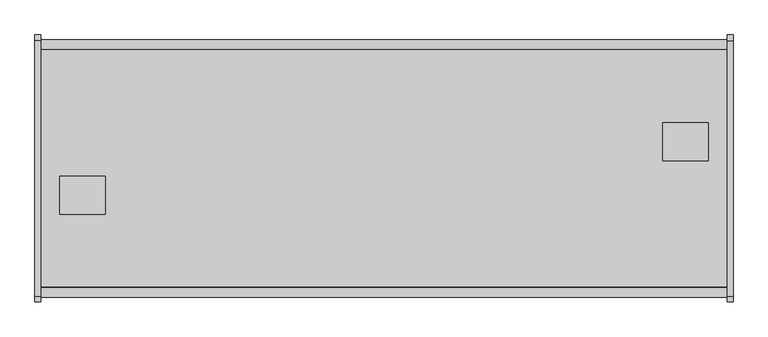
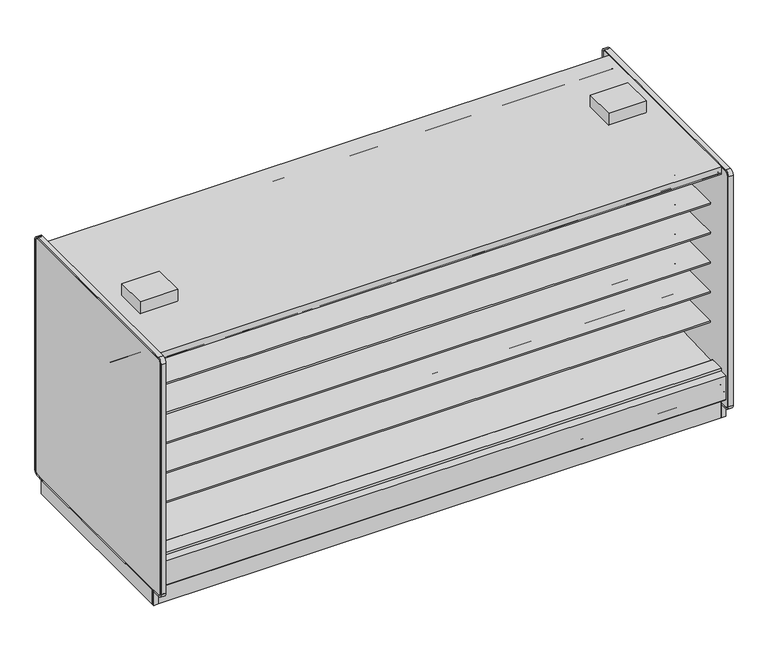
"""IFC4 building model written with IfcOpenShell, lengths in millimetres: proxy geometry."""

from ifc_helpers import new_model, si_unit, point, frame, frame_2d, origin, origin_with_axes, place, context, project, spatial, polyline, circle_curve, trimmed, segment, composite_curve, outline, extrude, faceted_brep, source, transform, mapped, element, save
from ifc_brep_helpers import plane_surface, revolved_surface, advanced_brep


def mechanical_equipment_9dda7a08(model_context):
    return source(origin(), model_context, "Body", "SolidModel", [
        extrude(outline(polyline([(0.0, -76.1999999), (0.0, 0.0), (4572.0, 0.0), (4572.0, -76.1999999), (0.0, -76.1999999)])), frame((4572.0, -1111.3633008, 2065.3671599), z_axis=(0.0, 0.08686991344751496, 0.9962196635971514), x_axis=(-1.0, 0.0, 0.0)), (0.0, 0.0, 1.0), 13.3555803),
        extrude(outline(polyline([(0.0, -76.2), (0.0, 0.0), (4572.0, 0.0), (4572.0, -76.2), (0.0, -76.2)])), frame((4572.0, 288.8472236, 2059.4611282), z_axis=(0.0, -0.086869913447515, 0.9962196635971514), x_axis=(-1.0, 0.0, 0.0)), (0.0, 0.0, 1.0), 13.3555803),
        extrude(outline(polyline([(-38.1, -1158.0606273), (-38.1, 424.3593727), (0.0, 424.3593727), (0.0, -1158.0606273), (-38.1, -1158.0606273)])), origin_with_axes(), (0.0, 0.0, 1.0), 117.8306),
        extrude(outline(composite_curve([segment(polyline([(-292.5492106, 428.2688536), (291.885082, 406.4402197), (291.885082, 424.9364317)]), True, "CONTINUOUS"), segment(trimmed(circle_curve(frame_2d((293.942482, 424.9364317)), 2.0574), [point((291.885082, 424.9364317))], [point((293.942482, 426.9938317))], False, "CARTESIAN"), True, "CONTINUOUS"), segment(polyline([(293.942482, 426.9938317), (416.0514424, 426.9938317), (416.0514424, 284.5082843), (302.7767261, 189.4595117), (287.2311894, 190.0023738), (241.8789947, 157.1934642), (177.3766842, 159.4459345), (137.2934582, 192.9404113), (-344.0537782, 221.8688632), (-344.0537782, 428.2688536), (-292.5492106, 428.2688536)]), True, "CONTINUOUS")], self_intersect=False)), frame((0.0, 0.0, 0.0), z_axis=(1.0, 0.0, 0.0), x_axis=(0.0, 1.0, 0.0)), (0.0, 0.0, 1.0), 4572.0),
        extrude(outline(polyline([(392.5474807, -0.0519335), (392.5474807, 194.123201), (411.5974807, 210.1080489), (411.5974807, -0.0519335), (392.5474807, -0.0519335)])), frame((0.0, 0.0, 0.0), z_axis=(1.0, 0.0, 0.0), x_axis=(0.0, 1.0, 0.0)), (0.0, 0.0, 1.0), 4572.0),
        extrude(outline(polyline([(-1139.0106273, 0.0), (-1158.0606273, 0.0), (-1158.0606273, 210.1599825), (-1139.0106273, 194.1751345), (-1139.0106273, 0.0)])), frame((0.0, 0.0, 0.0), z_axis=(1.0, 0.0, 0.0), x_axis=(0.0, 1.0, 0.0)), (0.0, 0.0, 1.0), 4572.0),
        extrude(outline(polyline([(431.8, -424.0006273), (431.8, -678.0006273), (127.0, -678.0006273), (127.0, -424.0006273), (431.8, -424.0006273)])), frame((0.0, 0.0, 2159.2248848), z_axis=(0.0, 0.0, 1.0), x_axis=(1.0, 0.0, 0.0)), (0.0, 0.0, 1.0), 101.6),
        extrude(outline(polyline([(4140.2, -322.4006273), (4140.2, -68.4006273), (4445.0, -68.4006273), (4445.0, -322.4006273), (4140.2, -322.4006273)])), frame((0.0, 0.0, 2159.2248848), z_axis=(0.0, 0.0, 1.0), x_axis=(1.0, 0.0, 0.0)), (0.0, 0.0, 1.0), 101.6),
        extrude(outline(polyline([(4610.1, 424.3593727), (4610.1, -1158.0606273), (4572.0, -1158.0606273), (4572.0, 424.3593727), (4610.1, 424.3593727)])), origin_with_axes(), (0.0, 0.0, 1.0), 117.8306),
        extrude(outline(composite_curve([segment(polyline([(-292.5492106, 1659.986997), (-292.5492106, 1760.7972725), (266.2507894, 1760.7972725), (266.2507894, 1747.3035225), (145.7947875, 1747.3035225), (145.7947875, 1743.0191961), (-193.6128858, 1710.408706)]), True, "CONTINUOUS"), segment(trimmed(circle_curve(frame_2d((-186.7598764, 1647.2795822)), 63.5), [point((-193.6128858, 1710.408706))], [point((-226.8243495, 1696.545067))], True, "CARTESIAN"), True, "CONTINUOUS"), segment(polyline([(-226.8243495, 1696.545067), (-265.0460501, 1665.4617985)]), True, "CONTINUOUS"), segment(trimmed(circle_curve(frame_2d((-280.9533727, 1684.8267077)), 25.0607786), [point((-265.0460501, 1665.4617985))], [point((-281.4413184, 1659.7706798))], False, "CARTESIAN"), True, "CONTINUOUS"), segment(polyline([(-281.4413184, 1659.7706798), (-292.5492106, 1659.986997)]), True, "CONTINUOUS")], self_intersect=False)), frame((0.0, 0.0, 0.0), z_axis=(1.0, 0.0, 0.0), x_axis=(0.0, 1.0, 0.0)), (0.0, 0.0, 1.0), 4572.0),
        extrude(outline(composite_curve([segment(polyline([(-292.5492106, 643.986997), (-292.5492106, 744.7972725), (266.2507894, 744.7972725), (266.2507894, 731.3035225), (145.7947875, 731.3035225), (145.7947875, 727.0191961), (-193.6128858, 694.408706)]), True, "CONTINUOUS"), segment(trimmed(circle_curve(frame_2d((-186.7598764, 631.2795822)), 63.5), [point((-193.6128858, 694.408706))], [point((-226.8243495, 680.545067))], True, "CARTESIAN"), True, "CONTINUOUS"), segment(polyline([(-226.8243495, 680.545067), (-265.0460501, 649.4617985)]), True, "CONTINUOUS"), segment(trimmed(circle_curve(frame_2d((-280.9533727, 668.8267077)), 25.0607786), [point((-265.0460501, 649.4617985))], [point((-281.4413184, 643.7706798))], False, "CARTESIAN"), True, "CONTINUOUS"), segment(polyline([(-281.4413184, 643.7706798), (-292.5492106, 643.986997)]), True, "CONTINUOUS")], self_intersect=False)), frame((0.0, 0.0, 0.0), z_axis=(1.0, 0.0, 0.0), x_axis=(0.0, 1.0, 0.0)), (0.0, 0.0, 1.0), 4572.0),
        extrude(outline(composite_curve([segment(polyline([(-292.5492106, 897.986997), (-292.5492106, 998.7972725), (266.2507894, 998.7972725), (266.2507894, 985.3035225), (145.7947875, 985.3035225), (145.7947875, 981.0191961), (-193.6128858, 948.408706)]), True, "CONTINUOUS"), segment(trimmed(circle_curve(frame_2d((-186.7598764, 885.2795822)), 63.5), [point((-193.6128858, 948.408706))], [point((-226.8243495, 934.545067))], True, "CARTESIAN"), True, "CONTINUOUS"), segment(polyline([(-226.8243495, 934.545067), (-265.0460501, 903.4617985)]), True, "CONTINUOUS"), segment(trimmed(circle_curve(frame_2d((-280.9533727, 922.8267077)), 25.0607786), [point((-265.0460501, 903.4617985))], [point((-281.4413184, 897.7706798))], False, "CARTESIAN"), True, "CONTINUOUS"), segment(polyline([(-281.4413184, 897.7706798), (-292.5492106, 897.986997)]), True, "CONTINUOUS")], self_intersect=False)), frame((0.0, 0.0, 0.0), z_axis=(1.0, 0.0, 0.0), x_axis=(0.0, 1.0, 0.0)), (0.0, 0.0, 1.0), 4572.0),
        extrude(outline(composite_curve([segment(polyline([(-292.5492106, 1151.986997), (-292.5492106, 1252.7972725), (266.2507894, 1252.7972725), (266.2507894, 1239.3035225), (145.7947875, 1239.3035225), (145.7947875, 1235.0191961), (-193.6128858, 1202.408706)]), True, "CONTINUOUS"), segment(trimmed(circle_curve(frame_2d((-186.7598764, 1139.2795822)), 63.5), [point((-193.6128858, 1202.408706))], [point((-226.8243495, 1188.545067))], True, "CARTESIAN"), True, "CONTINUOUS"), segment(polyline([(-226.8243495, 1188.545067), (-265.0460501, 1157.4617985)]), True, "CONTINUOUS"), segment(trimmed(circle_curve(frame_2d((-280.9533727, 1176.8267077)), 25.0607786), [point((-265.0460501, 1157.4617985))], [point((-281.4413184, 1151.7706798))], False, "CARTESIAN"), True, "CONTINUOUS"), segment(polyline([(-281.4413184, 1151.7706798), (-292.5492106, 1151.986997)]), True, "CONTINUOUS")], self_intersect=False)), frame((0.0, 0.0, 0.0), z_axis=(1.0, 0.0, 0.0), x_axis=(0.0, 1.0, 0.0)), (0.0, 0.0, 1.0), 4572.0),
        extrude(outline(composite_curve([segment(polyline([(-292.5492106, 1405.986997), (-292.5492106, 1506.7972725), (266.2507894, 1506.7972725), (266.2507894, 1493.3035225), (145.7947875, 1493.3035225), (145.7947875, 1489.0191961), (-193.6128858, 1456.408706)]), True, "CONTINUOUS"), segment(trimmed(circle_curve(frame_2d((-186.7598764, 1393.2795822)), 63.5), [point((-193.6128858, 1456.408706))], [point((-226.8243495, 1442.545067))], True, "CARTESIAN"), True, "CONTINUOUS"), segment(polyline([(-226.8243495, 1442.545067), (-265.0460501, 1411.4617985)]), True, "CONTINUOUS"), segment(trimmed(circle_curve(frame_2d((-280.9533727, 1430.8267077)), 25.0607786), [point((-265.0460501, 1411.4617985))], [point((-281.4413184, 1405.7706798))], False, "CARTESIAN"), True, "CONTINUOUS"), segment(polyline([(-281.4413184, 1405.7706798), (-292.5492106, 1405.986997)]), True, "CONTINUOUS")], self_intersect=False)), frame((0.0, 0.0, 0.0), z_axis=(1.0, 0.0, 0.0), x_axis=(0.0, 1.0, 0.0)), (0.0, 0.0, 1.0), 4572.0),
        extrude(outline(composite_curve([segment(polyline([(-94.7483469, 2070.6501297), (-292.5492106, 2070.6501297), (-292.5492106, 428.2688536), (-344.0537782, 428.2688536), (-344.0537782, 2096.4201079), (398.3751091, 2096.4201079), (398.3751091, 2092.4645258)]), True, "CONTINUOUS"), segment(trimmed(circle_curve(frame_2d((395.8351091, 2092.4645258)), 2.54), [point((398.3751091, 2092.4645258))], [point((395.8351091, 2089.9245258))], False, "CARTESIAN"), True, "CONTINUOUS"), segment(polyline([(395.8351091, 2089.9245258), (381.1085354, 2089.9245258)]), True, "CONTINUOUS"), segment(trimmed(circle_curve(frame_2d((381.1085354, 2087.3845258)), 2.54), [point((381.1085354, 2089.9245258))], [point((378.5685354, 2087.3845258))], True, "CARTESIAN"), True, "CONTINUOUS"), segment(polyline([(378.5685354, 2087.3845258), (378.5685354, 2074.4415989)]), True, "CONTINUOUS"), segment(trimmed(circle_curve(frame_2d((376.0285354, 2074.4415989)), 2.54), [point((378.5685354, 2074.4415989))], [point((376.0285354, 2071.9015989))], False, "CARTESIAN"), True, "CONTINUOUS"), segment(polyline([(376.0285354, 2071.9015989), (367.3424655, 2071.9015989)]), True, "CONTINUOUS"), segment(trimmed(circle_curve(frame_2d((367.3424655, 2074.4415989)), 2.54), [point((367.3424655, 2071.9015989))], [point((364.8024655, 2074.4415989))], False, "CARTESIAN"), True, "CONTINUOUS"), segment(polyline([(364.8024655, 2074.4415989), (364.8024655, 2080.1715419), (286.911575, 2073.3794907), (286.9575805, 2070.6501297), (-94.7483469, 2070.6501297)]), True, "CONTINUOUS")], self_intersect=False)), frame((0.0, 0.0, 0.0), z_axis=(1.0, 0.0, 0.0), x_axis=(0.0, 1.0, 0.0)), (0.0, 0.0, 1.0), 4572.0),
        extrude(outline(composite_curve([segment(polyline([(-453.852044, 1659.1586039), (-464.9599362, 1658.9422868)]), True, "CONTINUOUS"), segment(trimmed(circle_curve(frame_2d((-465.4478819, 1683.9983146)), 25.0607786), [point((-464.9599362, 1658.9422868))], [point((-481.3552045, 1664.6334054))], False, "CARTESIAN"), True, "CONTINUOUS"), segment(polyline([(-481.3552045, 1664.6334054), (-519.5769051, 1695.716674)]), True, "CONTINUOUS"), segment(trimmed(circle_curve(frame_2d((-559.6413782, 1646.4511892)), 63.5), [point((-519.5769051, 1695.716674))], [point((-552.7883688, 1709.5803129))], True, "CARTESIAN"), True, "CONTINUOUS"), segment(polyline([(-552.7883688, 1709.5803129), (-892.1960421, 1742.190803), (-892.1960421, 1746.4751294), (-1012.652044, 1746.4751294), (-1012.652044, 1759.9688794), (-453.852044, 1759.9688794), (-453.852044, 1659.1586039)]), True, "CONTINUOUS")], self_intersect=False)), frame((0.0, 0.0, 0.0), z_axis=(1.0, 0.0, 0.0), x_axis=(0.0, 1.0, 0.0)), (0.0, 0.0, 1.0), 4572.0),
        extrude(outline(composite_curve([segment(polyline([(-453.852044, 643.1586039), (-464.9599362, 642.9422868)]), True, "CONTINUOUS"), segment(trimmed(circle_curve(frame_2d((-465.4478819, 667.9983146)), 25.0607786), [point((-464.9599362, 642.9422868))], [point((-481.3552045, 648.6334054))], False, "CARTESIAN"), True, "CONTINUOUS"), segment(polyline([(-481.3552045, 648.6334054), (-519.5769051, 679.716674)]), True, "CONTINUOUS"), segment(trimmed(circle_curve(frame_2d((-559.6413782, 630.4511892)), 63.5), [point((-519.5769051, 679.716674))], [point((-552.7883688, 693.5803129))], True, "CARTESIAN"), True, "CONTINUOUS"), segment(polyline([(-552.7883688, 693.5803129), (-892.1960421, 726.190803), (-892.1960421, 730.4751294), (-1012.652044, 730.4751294), (-1012.652044, 743.9688794), (-453.852044, 743.9688794), (-453.852044, 643.1586039)]), True, "CONTINUOUS")], self_intersect=False)), frame((0.0, 0.0, 0.0), z_axis=(1.0, 0.0, 0.0), x_axis=(0.0, 1.0, 0.0)), (0.0, 0.0, 1.0), 4572.0),
        extrude(outline(composite_curve([segment(polyline([(-453.852044, 897.1586039), (-464.9599362, 896.9422868)]), True, "CONTINUOUS"), segment(trimmed(circle_curve(frame_2d((-465.4478819, 921.9983146)), 25.0607786), [point((-464.9599362, 896.9422868))], [point((-481.3552045, 902.6334054))], False, "CARTESIAN"), True, "CONTINUOUS"), segment(polyline([(-481.3552045, 902.6334054), (-519.5769051, 933.716674)]), True, "CONTINUOUS"), segment(trimmed(circle_curve(frame_2d((-559.6413782, 884.4511892)), 63.5), [point((-519.5769051, 933.716674))], [point((-552.7883688, 947.5803129))], True, "CARTESIAN"), True, "CONTINUOUS"), segment(polyline([(-552.7883688, 947.5803129), (-892.1960421, 980.190803), (-892.1960421, 984.4751294), (-1012.652044, 984.4751294), (-1012.652044, 997.9688794), (-453.852044, 997.9688794), (-453.852044, 897.1586039)]), True, "CONTINUOUS")], self_intersect=False)), frame((0.0, 0.0, 0.0), z_axis=(1.0, 0.0, 0.0), x_axis=(0.0, 1.0, 0.0)), (0.0, 0.0, 1.0), 4572.0),
        extrude(outline(composite_curve([segment(polyline([(-453.852044, 1151.1586039), (-464.9599362, 1150.9422868)]), True, "CONTINUOUS"), segment(trimmed(circle_curve(frame_2d((-465.4478819, 1175.9983146)), 25.0607786), [point((-464.9599362, 1150.9422868))], [point((-481.3552045, 1156.6334054))], False, "CARTESIAN"), True, "CONTINUOUS"), segment(polyline([(-481.3552045, 1156.6334054), (-519.5769051, 1187.716674)]), True, "CONTINUOUS"), segment(trimmed(circle_curve(frame_2d((-559.6413782, 1138.4511892)), 63.5), [point((-519.5769051, 1187.716674))], [point((-552.7883688, 1201.5803129))], True, "CARTESIAN"), True, "CONTINUOUS"), segment(polyline([(-552.7883688, 1201.5803129), (-892.1960421, 1234.190803), (-892.1960421, 1238.4751294), (-1012.652044, 1238.4751294), (-1012.652044, 1251.9688794), (-453.852044, 1251.9688794), (-453.852044, 1151.1586039)]), True, "CONTINUOUS")], self_intersect=False)), frame((0.0, 0.0, 0.0), z_axis=(1.0, 0.0, 0.0), x_axis=(0.0, 1.0, 0.0)), (0.0, 0.0, 1.0), 4572.0),
        extrude(outline(composite_curve([segment(polyline([(-453.852044, 1405.1586039), (-464.9599362, 1404.9422868)]), True, "CONTINUOUS"), segment(trimmed(circle_curve(frame_2d((-465.4478819, 1429.9983146)), 25.0607786), [point((-464.9599362, 1404.9422868))], [point((-481.3552045, 1410.6334054))], False, "CARTESIAN"), True, "CONTINUOUS"), segment(polyline([(-481.3552045, 1410.6334054), (-519.5769051, 1441.716674)]), True, "CONTINUOUS"), segment(trimmed(circle_curve(frame_2d((-559.6413782, 1392.4511892)), 63.5), [point((-519.5769051, 1441.716674))], [point((-552.7883688, 1455.5803129))], True, "CARTESIAN"), True, "CONTINUOUS"), segment(polyline([(-552.7883688, 1455.5803129), (-892.1960421, 1488.190803), (-892.1960421, 1492.4751294), (-1012.652044, 1492.4751294), (-1012.652044, 1505.9688794), (-453.852044, 1505.9688794), (-453.852044, 1405.1586039)]), True, "CONTINUOUS")], self_intersect=False)), frame((0.0, 0.0, 0.0), z_axis=(1.0, 0.0, 0.0), x_axis=(0.0, 1.0, 0.0)), (0.0, 0.0, 1.0), 4572.0),
        extrude(outline(composite_curve([segment(trimmed(circle_curve(frame_2d((-1224.1006273, 201.3982889)), 6.35), [point((-1220.9264382, 195.8985595))], [point((-1230.4506273, 201.3982889))], False, "CARTESIAN"), True, "CONTINUOUS"), segment(polyline([(-1230.4506273, 201.3982889), (-1230.4506273, 404.6728), (-1162.452697, 404.6728), (-1162.452697, 391.9982), (-1213.6612273, 391.9982), (-1213.6612273, 256.8144254), (-1173.6099725, 223.2074323), (-1220.9264382, 195.8985595)]), True, "CONTINUOUS")], self_intersect=False)), frame((0.0, 0.0, 0.0), z_axis=(1.0, 0.0, 0.0), x_axis=(0.0, 1.0, 0.0)), (0.0, 0.0, 1.0), 4572.0),
        extrude(outline(composite_curve([segment(polyline([(474.5251836, 195.8985595), (427.2087179, 223.2074323), (467.2599727, 256.8144254), (467.2599727, 391.9982), (416.0514424, 391.9982), (416.0514424, 404.6728), (484.0493727, 404.6728), (484.0493727, 201.3982889)]), True, "CONTINUOUS"), segment(trimmed(circle_curve(frame_2d((477.6993727, 201.3982889)), 6.35), [point((484.0493727, 201.3982889))], [point((474.5251836, 195.8985595))], False, "CARTESIAN"), True, "CONTINUOUS")], self_intersect=False)), frame((0.0, 0.0, 0.0), z_axis=(1.0, 0.0, 0.0), x_axis=(0.0, 1.0, 0.0)), (0.0, 0.0, 1.0), 4572.0),
        extrude(outline(polyline([(-1063.1620247, 130.5306), (-1213.6612273, 256.8144254), (-1213.6612273, 391.9982), (-1162.452697, 391.9982), (-1162.452697, 284.5082843), (-1049.1779807, 189.4595117), (-1033.632444, 190.0023738), (-988.2802493, 157.1934642), (-923.7779388, 159.4459345), (-883.6947128, 192.9404113), (-402.3474764, 221.8688632), (-402.3474764, 2096.4201079), (-1162.452697, 2096.4201079), (-1162.452697, 2159.0), (416.0514424, 2159.0), (416.0514424, 2096.4201079), (-344.0537782, 2096.4201079), (-344.0537782, 221.8688632), (137.2934582, 192.9404113), (177.3766842, 159.4459345), (241.8789947, 157.1934642), (287.2311894, 190.0023738), (302.7767261, 189.4595117), (416.0514424, 284.5082843), (416.0514424, 391.9982), (467.2599727, 391.9982), (467.2599727, 256.8144254), (316.7607701, 130.5306), (-1063.1620247, 130.5306)])), frame((0.0, 0.0, 0.0), z_axis=(1.0, 0.0, 0.0), x_axis=(0.0, 1.0, 0.0)), (0.0, 0.0, 1.0), 4572.0),
        extrude(outline(composite_curve([segment(polyline([(-639.2465773, 2071.0201079), (-1033.3525988, 2071.0201079), (-1033.3128296, 2073.3794907), (-1111.2037201, 2080.1715419), (-1111.2037201, 2074.4415989)]), True, "CONTINUOUS"), segment(trimmed(circle_curve(frame_2d((-1113.7437201, 2074.4415989)), 2.54), [point((-1111.2037201, 2074.4415989))], [point((-1113.7437201, 2071.9015989))], False, "CARTESIAN"), True, "CONTINUOUS"), segment(polyline([(-1113.7437201, 2071.9015989), (-1122.42979, 2071.9015989)]), True, "CONTINUOUS"), segment(trimmed(circle_curve(frame_2d((-1122.42979, 2074.4415989)), 2.54), [point((-1122.42979, 2071.9015989))], [point((-1124.96979, 2074.4415989))], False, "CARTESIAN"), True, "CONTINUOUS"), segment(polyline([(-1124.96979, 2074.4415989), (-1124.96979, 2087.3845258)]), True, "CONTINUOUS"), segment(trimmed(circle_curve(frame_2d((-1127.50979, 2087.3845258)), 2.54), [point((-1124.96979, 2087.3845258))], [point((-1127.50979, 2089.9245258))], True, "CARTESIAN"), True, "CONTINUOUS"), segment(polyline([(-1127.50979, 2089.9245258), (-1142.2363637, 2089.9245258)]), True, "CONTINUOUS"), segment(trimmed(circle_curve(frame_2d((-1142.2363637, 2092.4645258)), 2.54), [point((-1142.2363637, 2089.9245258))], [point((-1144.7763637, 2092.4645258))], False, "CARTESIAN"), True, "CONTINUOUS"), segment(polyline([(-1144.7763637, 2092.4645258), (-1144.7763637, 2096.4201079), (-402.3474764, 2096.4201079), (-402.3474764, 428.2688536), (-453.852044, 428.2688536), (-453.852044, 2071.0201079), (-639.2465773, 2071.0201079)]), True, "CONTINUOUS")], self_intersect=False)), frame((0.0, 0.0, 0.0), z_axis=(1.0, 0.0, 0.0), x_axis=(0.0, 1.0, 0.0)), (0.0, 0.0, 1.0), 4572.0),
        extrude(outline(polyline([(0.0, 424.3593727), (0.0, -1139.0106273), (-38.1, -1139.0106273), (-38.1, 424.3593727), (0.0, 424.3593727)])), origin_with_axes(), (0.0, 0.0, 1.0), 117.8306),
        advanced_brep(
        [(4572.0, -995.5006273, 0.0), (4572.0, -918.6839153, 0.0), (4572.0, -918.6839153, 74.8810382), (4572.0, 173.3438727, 74.8810382), (4572.0, 173.3438727, 0.0), (4572.0, 220.8672286, 0.0), (4572.0, 220.8672286, 130.5306), (4572.0, -995.5006273, 130.5306), (0.0, -995.5006273, 0.0), (0.0, -995.5006273, 130.5306), (0.0, 220.8672286, 130.5306), (0.0, 220.8672286, 0.0), (0.0, 173.3438727, 0.0), (0.0, 173.3438727, 74.8810382), (0.0, -918.6839153, 74.8810382), (0.0, -918.6839153, 0.0), (2238.3826367, -918.6839153, 0.0), (2235.2, -936.3821273, 0.0), (2336.8, -936.3821273, 0.0), (2333.6173633, -918.6839153, 0.0), (4305.0239057, -918.6839153, 0.0), (4300.5375, -939.5571273, 0.0), (4402.1375, -939.5571273, 0.0), (4397.6510943, -918.6839153, 0.0), (4397.6510943, -918.6839153, 74.8810382), (2238.3826367, -918.6839153, 74.8810382), (2333.6173633, -918.6839153, 74.8810382), (4305.0239057, -918.6839153, 74.8810382), (173.8851053, 173.3438727, 74.8810382), (267.4398947, 173.3438727, 74.8810382), (2238.0015601, 173.3438727, 74.8810382), (2333.9984399, 173.3438727, 74.8810382), (2235.2, -936.3821273, 127.0), (2336.8, -936.3821273, 127.0), (4300.5375, -939.5571273, 127.0), (4402.1375, -939.5571273, 127.0), (2333.9984399, 173.3438727, 0.0), (173.8851053, 173.3438727, 0.0), (267.4398947, 173.3438727, 0.0), (2238.0015601, 173.3438727, 0.0), (2336.8, 189.9808727, 0.0), (2326.3320346, 220.8672286, 0.0), (178.0864416, 220.8672286, 0.0), (169.8625, 193.1558727, 0.0), (271.4625, 193.1558727, 0.0), (263.2385584, 220.8672286, 0.0), (2245.6679654, 220.8672286, 0.0), (2235.2, 189.9808727, 0.0), (2326.3320346, 220.8672286, 127.0), (2245.6679654, 220.8672286, 127.0), (263.2385584, 220.8672286, 127.0), (178.0864416, 220.8672286, 127.0), (271.4625, 193.1558727, 127.0), (169.8625, 193.1558727, 127.0), (2336.8, 189.9808727, 127.0), (2235.2, 189.9808727, 127.0)],
        [
            (0, 1),
            (1, 2),
            (2, 3),
            (3, 4),
            (4, 5),
            (5, 6),
            (6, 7),
            (7, 0),
            (8, 9),
            (9, 10),
            (10, 11),
            (11, 12),
            (12, 13),
            (13, 14),
            (14, 15),
            (15, 8),
            (6, 10),
            (9, 7),
            (8, 0),
            (15, 16),
            (16, 17, circle_curve(frame((2286.0, -936.3821273, 0.0), z_axis=(0.0, 0.0, 1.0), x_axis=(1.0, 0.0, 0.0)), 50.8)),
            (17, 18, circle_curve(frame((2286.0, -936.3821273, 0.0), z_axis=(0.0, 0.0, 1.0), x_axis=(1.0, 0.0, 0.0)), 50.8)),
            (18, 19, circle_curve(frame((2286.0, -936.3821273, 0.0), z_axis=(0.0, 0.0, 1.0), x_axis=(1.0, 0.0, 0.0)), 50.8)),
            (19, 20),
            (20, 21, circle_curve(frame((4351.3375, -939.5571273, 0.0), z_axis=(0.0, 0.0, 1.0), x_axis=(1.0, 0.0, 0.0)), 50.8)),
            (21, 22, circle_curve(frame((4351.3375, -939.5571273, 0.0), z_axis=(0.0, 0.0, 1.0), x_axis=(1.0, 0.0, 0.0)), 50.8)),
            (22, 23, circle_curve(frame((4351.3375, -939.5571273, 0.0), z_axis=(0.0, 0.0, 1.0), x_axis=(1.0, 0.0, 0.0)), 50.8)),
            (23, 1),
            (23, 24),
            (24, 2),
            (14, 25),
            (25, 16),
            (19, 26),
            (26, 27),
            (27, 20),
            (24, 27, circle_curve(frame((4351.3375, -939.5571273, 74.8810382), z_axis=(0.0, 0.0, 1.0), x_axis=(1.0, 0.0, 0.0)), 50.8)),
            (26, 25, circle_curve(frame((2286.0, -936.3821273, 74.8810382), z_axis=(0.0, 0.0, 1.0), x_axis=(1.0, 0.0, 0.0)), 50.8)),
            (13, 28),
            (28, 29, circle_curve(frame((220.6625, 193.1558727, 74.8810382), z_axis=(0.0, 0.0, 1.0), x_axis=(-1.0, 0.0, 0.0)), 50.8)),
            (29, 30),
            (30, 31, circle_curve(frame((2286.0, 189.9808727, 74.8810382), z_axis=(0.0, 0.0, 1.0), x_axis=(1.0, 0.0, 0.0)), 50.8)),
            (31, 3),
            (32, 33, circle_curve(frame((2286.0, -936.3821273, 127.0), z_axis=(0.0, 0.0, -1.0), x_axis=(1.0, 0.0, 0.0)), 50.8)),
            (33, 32, circle_curve(frame((2286.0, -936.3821273, 127.0), z_axis=(0.0, 0.0, -1.0), x_axis=(1.0, 0.0, 0.0)), 50.8)),
            (33, 18),
            (17, 32),
            (34, 35, circle_curve(frame((4351.3375, -939.5571273, 127.0), z_axis=(0.0, 0.0, -1.0), x_axis=(1.0, 0.0, 0.0)), 50.8)),
            (35, 34, circle_curve(frame((4351.3375, -939.5571273, 127.0), z_axis=(0.0, 0.0, -1.0), x_axis=(1.0, 0.0, 0.0)), 50.8)),
            (35, 22),
            (21, 34),
            (31, 36),
            (36, 4),
            (12, 37),
            (37, 28),
            (29, 38),
            (38, 39),
            (39, 30),
            (36, 40, circle_curve(frame((2286.0, 189.9808727, 0.0), z_axis=(0.0, 0.0, 1.0), x_axis=(1.0, 0.0, 0.0)), 50.8)),
            (40, 41, circle_curve(frame((2286.0, 189.9808727, 0.0), z_axis=(0.0, 0.0, 1.0), x_axis=(1.0, 0.0, 0.0)), 50.8)),
            (41, 5),
            (11, 42),
            (42, 43, circle_curve(frame((220.6625, 193.1558727, 0.0), z_axis=(0.0, 0.0, 1.0), x_axis=(-1.0, 0.0, 0.0)), 50.8)),
            (43, 37, circle_curve(frame((220.6625, 193.1558727, 0.0), z_axis=(0.0, 0.0, 1.0), x_axis=(-1.0, 0.0, 0.0)), 50.8)),
            (44, 45, circle_curve(frame((220.6625, 193.1558727, 0.0), z_axis=(0.0, 0.0, 1.0), x_axis=(-1.0, 0.0, 0.0)), 50.8)),
            (45, 46),
            (46, 47, circle_curve(frame((2286.0, 189.9808727, 0.0), z_axis=(0.0, 0.0, 1.0), x_axis=(1.0, 0.0, 0.0)), 50.8)),
            (47, 39, circle_curve(frame((2286.0, 189.9808727, 0.0), z_axis=(0.0, 0.0, 1.0), x_axis=(1.0, 0.0, 0.0)), 50.8)),
            (38, 44, circle_curve(frame((220.6625, 193.1558727, 0.0), z_axis=(0.0, 0.0, 1.0), x_axis=(-1.0, 0.0, 0.0)), 50.8)),
            (41, 48),
            (48, 49),
            (49, 46),
            (45, 50),
            (50, 51),
            (51, 42),
            (52, 53, circle_curve(frame((220.6625, 193.1558727, 127.0), z_axis=(0.0, 0.0, -1.0), x_axis=(-1.0, 0.0, 0.0)), 50.8)),
            (53, 51, circle_curve(frame((220.6625, 193.1558727, 127.0), z_axis=(0.0, 0.0, -1.0), x_axis=(-1.0, 0.0, 0.0)), 50.8)),
            (50, 52, circle_curve(frame((220.6625, 193.1558727, 127.0), z_axis=(0.0, 0.0, -1.0), x_axis=(-1.0, 0.0, 0.0)), 50.8)),
            (44, 52),
            (53, 43),
            (54, 55, circle_curve(frame((2286.0, 189.9808727, 127.0), z_axis=(0.0, 0.0, -1.0), x_axis=(1.0, 0.0, 0.0)), 50.8)),
            (55, 49, circle_curve(frame((2286.0, 189.9808727, 127.0), z_axis=(0.0, 0.0, -1.0), x_axis=(1.0, 0.0, 0.0)), 50.8)),
            (48, 54, circle_curve(frame((2286.0, 189.9808727, 127.0), z_axis=(0.0, 0.0, -1.0), x_axis=(1.0, 0.0, 0.0)), 50.8)),
            (40, 54),
            (55, 47),
        ],
        [
            plane_surface(frame((4572.0, -921.3326273, 0.0), z_axis=(1.0, 0.0, 0.0), x_axis=(0.0, 1.0, 0.0))),
            plane_surface(frame((0.0, -921.3326273, 0.0), z_axis=(-1.0, 0.0, 0.0), x_axis=(0.0, -1.0, 0.0))),
            plane_surface(frame((4572.0, 220.8672286, 130.5306), z_axis=(0.0, 0.0, 1.0), x_axis=(-1.0, 0.0, 0.0))),
            plane_surface(frame((4572.0, -995.5006273, 130.5306), z_axis=(0.0, -1.0, 0.0), x_axis=(-1.0, 0.0, 0.0))),
            plane_surface(frame((4572.0, -995.5006273, 0.0), z_axis=(0.0, 0.0, -1.0), x_axis=(-1.0, 0.0, 0.0))),
            plane_surface(frame((4572.0, -918.6839153, 0.0), z_axis=(0.0, 1.0, 0.0), x_axis=(-1.0, 0.0, 0.0))),
            plane_surface(frame((4572.0, -918.6839153, 74.8810382), z_axis=(0.0, 0.0, -1.0), x_axis=(-1.0, 0.0, 0.0))),
            plane_surface(frame((2336.8, -936.3821273, 127.0), z_axis=(0.0, 0.0, -1.0), x_axis=(0.0, 1.0, 0.0))),
            revolved_surface(polyline([(2336.8, -936.3821273, 127.0), (2336.8, -936.3821273, 0.0)]), (2286.0, -936.3821273, 0.0), (0.0, 0.0, 1.0)),
            plane_surface(frame((4402.1375, -939.5571273, 127.0), z_axis=(0.0, 0.0, -1.0), x_axis=(0.0, 1.0, 0.0))),
            revolved_surface(polyline([(4402.1375, -939.5571273, 127.0), (4402.1375, -939.5571273, 0.0)]), (4351.3375, -939.5571273, 0.0), (0.0, 0.0, 1.0)),
            plane_surface(frame((4572.0, 173.3438727, 74.8810382), z_axis=(0.0, -1.0, 0.0), x_axis=(-1.0, 0.0, 0.0))),
            plane_surface(frame((4572.0, 173.3438727, 0.0), z_axis=(0.0, 0.0, -1.0), x_axis=(-1.0, 0.0, 0.0))),
            plane_surface(frame((4572.0, 220.8672286, 0.0), z_axis=(0.0, 1.0, 0.0), x_axis=(-1.0, 0.0, 0.0))),
            plane_surface(frame((169.8625, 193.1558727, 127.0), z_axis=(0.0, 0.0, -1.0), x_axis=(0.0, -1.0, 0.0))),
            revolved_surface(polyline([(169.8625, 193.1558727, 127.0), (169.8625, 193.1558727, 0.0)]), (220.6625, 193.1558727, 0.0), (0.0, 0.0, 1.0)),
            plane_surface(frame((2336.8, 189.9808727, 127.0), z_axis=(0.0, 0.0, -1.0), x_axis=(0.0, 1.0, 0.0))),
            revolved_surface(polyline([(2336.8, 189.9808727, 127.0), (2336.8, 189.9808727, 0.0)]), (2286.0, 189.9808727, 0.0), (0.0, 0.0, 1.0)),
        ],
        [
            (0, [[1, 2, 3, 4, 5, 6, 7, 8]]),
            (1, [[9, 10, 11, 12, 13, 14, 15, 16]]),
            (2, [[-7, 17, -10, 18]]),
            (3, [[-8, -18, -9, 19]]),
            (4, [[-1, -19, -16, 20, 21, 22, 23, 24, 25, 26, 27, 28]]),
            (5, [[-2, -28, 29, 30]]),
            (5, [[-15, 31, 32, -20]]),
            (5, [[33, 34, 35, -24]]),
            (6, [[-3, -30, 36, -34, 37, -31, -14, 38, 39, 40, 41, 42]]),
            (7, [[43, 44]]),
            (8, [[-44, 45, -22, 46]]),
            (8, [[-43, -46, -21, -32, -37, -33, -23, -45]]),
            (9, [[47, 48]]),
            (10, [[-48, 49, -26, 50]]),
            (10, [[-47, -50, -25, -35, -36, -29, -27, -49]]),
            (11, [[-4, -42, 51, 52]]),
            (11, [[-13, 53, 54, -38]]),
            (11, [[55, 56, 57, -40]]),
            (12, [[-5, -52, 58, 59, 60]]),
            (12, [[-12, 61, 62, 63, -53]]),
            (12, [[64, 65, 66, 67, -56, 68]]),
            (13, [[-6, -60, 69, 70, 71, -65, 72, 73, 74, -61, -11, -17]]),
            (14, [[75, 76, -73, 77]]),
            (15, [[78, -77, -72, -64]]),
            (15, [[79, -62, -74, -76]]),
            (15, [[-75, -78, -68, -55, -39, -54, -63, -79]]),
            (16, [[80, 81, -70, 82]]),
            (17, [[83, -82, -69, -59]]),
            (17, [[84, -66, -71, -81]]),
            (17, [[-80, -83, -58, -51, -41, -57, -67, -84]]),
        ],
    ),
        extrude(outline(composite_curve([segment(polyline([(-453.852044, 428.2688536), (-402.3474764, 428.2688536), (-402.3474764, 221.8688632), (-883.6947128, 192.9404113), (-923.7779388, 159.4459345), (-988.2802493, 157.1934642), (-1033.632444, 190.0023738), (-1049.1779807, 189.4595117), (-1162.452697, 284.5082843), (-1162.452697, 426.9938317), (-1040.3437366, 426.9938317)]), True, "CONTINUOUS"), segment(trimmed(circle_curve(frame_2d((-1040.3437366, 424.9364317)), 2.0574), [point((-1040.3437366, 426.9938317))], [point((-1038.2863366, 424.9364317))], False, "CARTESIAN"), True, "CONTINUOUS"), segment(polyline([(-1038.2863366, 424.9364317), (-1038.2863366, 406.4402197), (-453.852044, 428.2688536)]), True, "CONTINUOUS")], self_intersect=False)), frame((0.0, 0.0, 0.0), z_axis=(1.0, 0.0, 0.0), x_axis=(0.0, 1.0, 0.0)), (0.0, 0.0, 1.0), 4572.0),
        extrude(outline(composite_curve([segment(polyline([(-1170.7606273, 117.8306), (-1224.093772, 117.8306)]), True, "CONTINUOUS"), segment(trimmed(circle_curve(frame_2d((-1224.093772, 155.9306)), 38.1), [point((-1224.093772, 117.8306))], [point((-1262.193772, 155.9306))], False, "CARTESIAN"), True, "CONTINUOUS"), segment(polyline([(-1262.193772, 155.9306), (-1262.193772, 2133.6)]), True, "CONTINUOUS"), segment(trimmed(circle_curve(frame_2d((-1224.093772, 2133.6)), 38.1), [point((-1262.193772, 2133.6))], [point((-1224.093772, 2171.7))], False, "CARTESIAN"), True, "CONTINUOUS"), segment(polyline([(-1224.093772, 2171.7), (477.6925174, 2171.7)]), True, "CONTINUOUS"), segment(trimmed(circle_curve(frame_2d((477.6925174, 2133.6)), 38.1), [point((477.6925174, 2171.7))], [point((515.7925174, 2133.6))], False, "CARTESIAN"), True, "CONTINUOUS"), segment(polyline([(515.7925174, 2133.6), (515.7925174, 155.9306)]), True, "CONTINUOUS"), segment(trimmed(circle_curve(frame_2d((477.6925174, 155.9306)), 38.1), [point((515.7925174, 155.9306))], [point((477.6925174, 117.8306))], False, "CARTESIAN"), True, "CONTINUOUS"), segment(polyline([(477.6925174, 117.8306), (424.3593727, 117.8306), (411.5974807, 117.8306), (411.5974807, 130.5306), (424.3593727, 130.5306), (477.6925174, 130.5306)]), True, "CONTINUOUS"), segment(trimmed(circle_curve(frame_2d((477.6925174, 155.9306)), 25.4), [point((477.6925174, 130.5306))], [point((503.0925174, 155.9306))], True, "CARTESIAN"), True, "CONTINUOUS"), segment(polyline([(503.0925174, 155.9306), (503.0925174, 2133.6)]), True, "CONTINUOUS"), segment(trimmed(circle_curve(frame_2d((477.6925174, 2133.6)), 25.4), [point((503.0925174, 2133.6))], [point((477.6925174, 2159.0))], True, "CARTESIAN"), True, "CONTINUOUS"), segment(polyline([(477.6925174, 2159.0), (-1224.093772, 2159.0)]), True, "CONTINUOUS"), segment(trimmed(circle_curve(frame_2d((-1224.093772, 2133.6)), 25.4), [point((-1224.093772, 2159.0))], [point((-1249.493772, 2133.6))], True, "CARTESIAN"), True, "CONTINUOUS"), segment(polyline([(-1249.493772, 2133.6), (-1249.493772, 155.9306)]), True, "CONTINUOUS"), segment(trimmed(circle_curve(frame_2d((-1224.093772, 155.9306)), 25.4), [point((-1249.493772, 155.9306))], [point((-1224.093772, 130.5306))], True, "CARTESIAN"), True, "CONTINUOUS"), segment(polyline([(-1224.093772, 130.5306), (-1170.7606273, 130.5306), (-1158.0606273, 130.5306), (-1158.0606273, 117.8306), (-1170.7606273, 117.8306)]), True, "CONTINUOUS")], self_intersect=False)), frame((4572.0, 0.0, 0.0), z_axis=(1.0, 0.0, 0.0), x_axis=(0.0, 1.0, 0.0)), (0.0, 0.0, 1.0), 38.1),
        extrude(outline(composite_curve([segment(polyline([(477.6925174, 130.5306), (-1224.093772, 130.5306)]), True, "CONTINUOUS"), segment(trimmed(circle_curve(frame_2d((-1224.093772, 155.9306)), 25.4), [point((-1224.093772, 130.5306))], [point((-1249.493772, 155.9306))], False, "CARTESIAN"), True, "CONTINUOUS"), segment(polyline([(-1249.493772, 155.9306), (-1249.493772, 2133.6)]), True, "CONTINUOUS"), segment(trimmed(circle_curve(frame_2d((-1224.093772, 2133.6)), 25.4), [point((-1249.493772, 2133.6))], [point((-1224.093772, 2159.0))], False, "CARTESIAN"), True, "CONTINUOUS"), segment(polyline([(-1224.093772, 2159.0), (477.6925174, 2159.0)]), True, "CONTINUOUS"), segment(trimmed(circle_curve(frame_2d((477.6925174, 2133.6)), 25.4), [point((477.6925174, 2159.0))], [point((503.0925174, 2133.6))], False, "CARTESIAN"), True, "CONTINUOUS"), segment(polyline([(503.0925174, 2133.6), (503.0925174, 155.9306)]), True, "CONTINUOUS"), segment(trimmed(circle_curve(frame_2d((477.6925174, 155.9306)), 25.4), [point((503.0925174, 155.9306))], [point((477.6925174, 130.5306))], False, "CARTESIAN"), True, "CONTINUOUS")], self_intersect=False)), frame((4572.0, 0.0, 0.0), z_axis=(1.0, 0.0, 0.0), x_axis=(0.0, 1.0, 0.0)), (0.0, 0.0, 1.0), 38.1),
        extrude(outline(composite_curve([segment(polyline([(-1224.093772, 2171.7), (477.6925174, 2171.7)]), True, "CONTINUOUS"), segment(trimmed(circle_curve(frame_2d((477.6925174, 2133.6)), 38.1), [point((477.6925174, 2171.7))], [point((515.7925174, 2133.6))], False, "CARTESIAN"), True, "CONTINUOUS"), segment(polyline([(515.7925174, 2133.6), (515.7925174, 155.9306)]), True, "CONTINUOUS"), segment(trimmed(circle_curve(frame_2d((477.6925174, 155.9306)), 38.1), [point((515.7925174, 155.9306))], [point((477.6925174, 117.8306))], False, "CARTESIAN"), True, "CONTINUOUS"), segment(polyline([(477.6925174, 117.8306), (424.3593727, 117.8306), (411.5974807, 117.8306), (411.5974807, 130.5306), (424.3593727, 130.5306), (477.6925174, 130.5306)]), True, "CONTINUOUS"), segment(trimmed(circle_curve(frame_2d((477.6925174, 155.9306)), 25.4), [point((477.6925174, 130.5306))], [point((503.0925174, 155.9306))], True, "CARTESIAN"), True, "CONTINUOUS"), segment(polyline([(503.0925174, 155.9306), (503.0925174, 2133.6)]), True, "CONTINUOUS"), segment(trimmed(circle_curve(frame_2d((477.6925174, 2133.6)), 25.4), [point((503.0925174, 2133.6))], [point((477.6925174, 2159.0))], True, "CARTESIAN"), True, "CONTINUOUS"), segment(polyline([(477.6925174, 2159.0), (-1224.093772, 2159.0)]), True, "CONTINUOUS"), segment(trimmed(circle_curve(frame_2d((-1224.093772, 2133.6)), 25.4), [point((-1224.093772, 2159.0))], [point((-1249.493772, 2133.6))], True, "CARTESIAN"), True, "CONTINUOUS"), segment(polyline([(-1249.493772, 2133.6), (-1249.493772, 155.9306)]), True, "CONTINUOUS"), segment(trimmed(circle_curve(frame_2d((-1224.093772, 155.9306)), 25.4), [point((-1249.493772, 155.9306))], [point((-1224.093772, 130.5306))], True, "CARTESIAN"), True, "CONTINUOUS"), segment(polyline([(-1224.093772, 130.5306), (-1170.7606273, 130.5306), (-1158.0606273, 130.5306), (-1158.0606273, 117.8306), (-1170.7606273, 117.8306), (-1224.093772, 117.8306)]), True, "CONTINUOUS"), segment(trimmed(circle_curve(frame_2d((-1224.093772, 155.9306)), 38.1), [point((-1224.093772, 117.8306))], [point((-1262.193772, 155.9306))], False, "CARTESIAN"), True, "CONTINUOUS"), segment(polyline([(-1262.193772, 155.9306), (-1262.193772, 2133.6)]), True, "CONTINUOUS"), segment(trimmed(circle_curve(frame_2d((-1224.093772, 2133.6)), 38.1), [point((-1262.193772, 2133.6))], [point((-1224.093772, 2171.7))], False, "CARTESIAN"), True, "CONTINUOUS")], self_intersect=False)), frame((-38.1, 0.0, 0.0), z_axis=(1.0, 0.0, 0.0), x_axis=(0.0, 1.0, 0.0)), (0.0, 0.0, 1.0), 38.1),
        extrude(outline(composite_curve([segment(polyline([(477.6925174, 130.5306), (-1224.093772, 130.5306)]), True, "CONTINUOUS"), segment(trimmed(circle_curve(frame_2d((-1224.093772, 155.9306)), 25.4), [point((-1224.093772, 130.5306))], [point((-1249.493772, 155.9306))], False, "CARTESIAN"), True, "CONTINUOUS"), segment(polyline([(-1249.493772, 155.9306), (-1249.493772, 2133.6)]), True, "CONTINUOUS"), segment(trimmed(circle_curve(frame_2d((-1224.093772, 2133.6)), 25.4), [point((-1249.493772, 2133.6))], [point((-1224.093772, 2159.0))], False, "CARTESIAN"), True, "CONTINUOUS"), segment(polyline([(-1224.093772, 2159.0), (477.6925174, 2159.0)]), True, "CONTINUOUS"), segment(trimmed(circle_curve(frame_2d((477.6925174, 2133.6)), 25.4), [point((477.6925174, 2159.0))], [point((503.0925174, 2133.6))], False, "CARTESIAN"), True, "CONTINUOUS"), segment(polyline([(503.0925174, 2133.6), (503.0925174, 155.9306)]), True, "CONTINUOUS"), segment(trimmed(circle_curve(frame_2d((477.6925174, 155.9306)), 25.4), [point((503.0925174, 155.9306))], [point((477.6925174, 130.5306))], False, "CARTESIAN"), True, "CONTINUOUS")], self_intersect=False)), frame((-38.1, 0.0, 0.0), z_axis=(1.0, 0.0, 0.0), x_axis=(0.0, 1.0, 0.0)), (0.0, 0.0, 1.0), 38.1),
        extrude(outline(composite_curve([segment(trimmed(circle_curve(frame_2d((2286.0, 189.9808727)), 38.1), [point((2247.9, 189.9808727))], [point((2324.1, 189.9808727))], False, "CARTESIAN"), True, "CONTINUOUS"), segment(trimmed(circle_curve(frame_2d((2286.0, 189.9808727)), 38.1), [point((2324.1, 189.9808727))], [point((2247.9, 189.9808727))], False, "CARTESIAN"), True, "CONTINUOUS")], self_intersect=False)), frame((0.0, 0.0, 61.2666507), z_axis=(0.0, 0.0, 1.0), x_axis=(1.0, 0.0, 0.0)), (0.0, 0.0, 1.0), 65.7333493),
        extrude(outline(composite_curve([segment(trimmed(circle_curve(frame_2d((2286.0, -936.3821273)), 38.1), [point((2247.9, -936.3821273))], [point((2324.1, -936.3821273))], False, "CARTESIAN"), True, "CONTINUOUS"), segment(trimmed(circle_curve(frame_2d((2286.0, -936.3821273)), 38.1), [point((2324.1, -936.3821273))], [point((2247.9, -936.3821273))], False, "CARTESIAN"), True, "CONTINUOUS")], self_intersect=False)), frame((0.0, 0.0, 61.2666507), z_axis=(0.0, 0.0, 1.0), x_axis=(1.0, 0.0, 0.0)), (0.0, 0.0, 1.0), 65.7333493),
        extrude(outline(composite_curve([segment(trimmed(circle_curve(frame_2d((242.6911047, 192.5203719)), 12.7), [point((229.9911047, 192.5203719))], [point((255.3911047, 192.5203719))], False, "CARTESIAN"), True, "CONTINUOUS"), segment(trimmed(circle_curve(frame_2d((242.6911047, 192.5203719)), 12.7), [point((255.3911047, 192.5203719))], [point((229.9911047, 192.5203719))], False, "CARTESIAN"), True, "CONTINUOUS")], self_intersect=False)), frame((0.0, 0.0, 61.2666507), z_axis=(0.0, 0.0, 1.0), x_axis=(1.0, 0.0, 0.0)), (0.0, 0.0, 1.0), 65.7333493),
        extrude(outline(composite_curve([segment(trimmed(circle_curve(frame_2d((191.8911047, 192.5203719)), 9.525), [point((182.3661047, 192.5203719))], [point((201.4161047, 192.5203719))], False, "CARTESIAN"), True, "CONTINUOUS"), segment(trimmed(circle_curve(frame_2d((191.8911047, 192.5203719)), 9.525), [point((201.4161047, 192.5203719))], [point((182.3661047, 192.5203719))], False, "CARTESIAN"), True, "CONTINUOUS")], self_intersect=False)), frame((0.0, 0.0, 61.2666507), z_axis=(0.0, 0.0, 1.0), x_axis=(1.0, 0.0, 0.0)), (0.0, 0.0, 1.0), 65.7333493),
        extrude(outline(composite_curve([segment(trimmed(circle_curve(frame_2d((2616.1027684, 329.7424825)), 6.35), [point((2609.7527684, 329.7424825))], [point((2622.4527684, 329.7424825))], False, "CARTESIAN"), True, "CONTINUOUS"), segment(trimmed(circle_curve(frame_2d((2616.1027684, 329.7424825)), 6.35), [point((2622.4527684, 329.7424825))], [point((2609.7527684, 329.7424825))], False, "CARTESIAN"), True, "CONTINUOUS")], self_intersect=False)), frame((0.0, 0.0, 44.45), z_axis=(0.0, 0.0, 1.0), x_axis=(1.0, 0.0, 0.0)), (0.0, 0.0, 1.0), 6.35),
        extrude(outline(composite_curve([segment(trimmed(circle_curve(frame_2d((2654.2027684, 329.7424825)), 6.35), [point((2647.8527684, 329.7424825))], [point((2660.5527684, 329.7424825))], False, "CARTESIAN"), True, "CONTINUOUS"), segment(trimmed(circle_curve(frame_2d((2654.2027684, 329.7424825)), 6.35), [point((2660.5527684, 329.7424825))], [point((2647.8527684, 329.7424825))], False, "CARTESIAN"), True, "CONTINUOUS")], self_intersect=False)), frame((0.0, 0.0, 44.45), z_axis=(0.0, 0.0, 1.0), x_axis=(1.0, 0.0, 0.0)), (0.0, 0.0, 1.0), 6.35),
        extrude(outline(composite_curve([segment(trimmed(circle_curve(frame_2d((2692.3027684, 329.7424825)), 6.35), [point((2685.9527684, 329.7424825))], [point((2698.6527684, 329.7424825))], False, "CARTESIAN"), True, "CONTINUOUS"), segment(trimmed(circle_curve(frame_2d((2692.3027684, 329.7424825)), 6.35), [point((2698.6527684, 329.7424825))], [point((2685.9527684, 329.7424825))], False, "CARTESIAN"), True, "CONTINUOUS")], self_intersect=False)), frame((0.0, 0.0, 44.45), z_axis=(0.0, 0.0, 1.0), x_axis=(1.0, 0.0, 0.0)), (0.0, 0.0, 1.0), 6.35),
        extrude(outline(composite_curve([segment(trimmed(circle_curve(frame_2d((2730.4027684, 329.7424825)), 6.35), [point((2724.0527684, 329.7424825))], [point((2736.7527684, 329.7424825))], False, "CARTESIAN"), True, "CONTINUOUS"), segment(trimmed(circle_curve(frame_2d((2730.4027684, 329.7424825)), 6.35), [point((2736.7527684, 329.7424825))], [point((2724.0527684, 329.7424825))], False, "CARTESIAN"), True, "CONTINUOUS")], self_intersect=False)), frame((0.0, 0.0, 44.45), z_axis=(0.0, 0.0, 1.0), x_axis=(1.0, 0.0, 0.0)), (0.0, 0.0, 1.0), 6.35),
        extrude(outline(composite_curve([segment(trimmed(circle_curve(frame_2d((2768.5027684, 329.7424825)), 6.35), [point((2762.1527684, 329.7424825))], [point((2774.8527684, 329.7424825))], False, "CARTESIAN"), True, "CONTINUOUS"), segment(trimmed(circle_curve(frame_2d((2768.5027684, 329.7424825)), 6.35), [point((2774.8527684, 329.7424825))], [point((2762.1527684, 329.7424825))], False, "CARTESIAN"), True, "CONTINUOUS")], self_intersect=False)), frame((0.0, 0.0, 44.45), z_axis=(0.0, 0.0, 1.0), x_axis=(1.0, 0.0, 0.0)), (0.0, 0.0, 1.0), 6.35),
        extrude(outline(polyline([(2584.3527684, 364.6674825), (2799.5379173, 364.6674825), (2799.5379173, 294.8174825), (2584.3527684, 294.8174825), (2584.3527684, 364.6674825)])), frame((0.0, 0.0, 44.45), z_axis=(0.0, 0.0, 1.0), x_axis=(1.0, 0.0, 0.0)), (0.0, 0.0, 1.0), 6.35),
        extrude(outline(polyline([(457.2, -1044.3321273), (457.2, -1108.244384), (254.0, -1108.244384), (254.0, -1044.3321273), (457.2, -1044.3321273)])), frame((0.0, 0.0, 44.45), z_axis=(0.0, 0.0, 1.0), x_axis=(1.0, 0.0, 0.0)), (0.0, 0.0, 1.0), 6.35),
        faceted_brep([(4572.0, -1139.0106273, 194.1751345), (4572.0, -1139.0106273, 0.0), (4572.0, -995.5006273, 0.0), (4572.0, -995.5006273, 130.5306), (4572.0, -1063.1620247, 130.5306), (0.0, -1139.0106273, 194.1751345), (0.0, -1063.1620247, 130.5306), (0.0, -995.5006273, 130.5306), (0.0, -995.5006273, 0.0), (0.0, -1139.0106273, 0.0), (466.3154811, -1113.7914467, 0.0), (466.3154811, -1038.8597182, 0.0), (245.6409893, -1038.8597182, 0.0), (245.6409893, -1113.7914467, 0.0), (466.3154811, -1113.7914467, 50.8), (466.3154811, -1038.8597182, 50.8), (245.6409893, -1038.8597182, 50.8), (245.6409893, -1113.7914467, 50.8)], [[[0, 1, 2, 3, 4]], [[5, 6, 7, 8, 9]], [[1, 0, 5, 9]], [[2, 1, 9, 8], [10, 11, 12, 13]], [[3, 2, 8, 7]], [[4, 3, 7, 6]], [[0, 4, 6, 5]], [[10, 14, 15, 11]], [[12, 16, 17, 13]], [[11, 15, 16, 12]], [[15, 14, 17, 16]], [[14, 10, 13, 17]]]),
        faceted_brep([(4572.0, 392.6093727, 194.1751345), (4572.0, 316.7607701, 130.5306), (4572.0, 244.1113532, 130.5306), (4572.0, 244.1113532, 0.0), (4572.0, 392.6093727, 0.0), (0.0, 392.6093727, 194.1751345), (0.0, 392.6093727, 0.0), (0.0, 244.1113532, 0.0), (0.0, 244.1113532, 130.5306), (0.0, 316.7607701, 130.5306), (2581.6845189, 367.3901921, 50.8), (2802.3590107, 367.3901921, 50.8), (2802.3590107, 292.4584636, 50.8), (2581.6845189, 292.4584636, 50.8), (2581.6845189, 292.4584636, 0.0), (2581.6845189, 367.3901921, 0.0), (2802.3590107, 292.4584636, 0.0), (2802.3590107, 367.3901921, 0.0)], [[[0, 1, 2, 3, 4]], [[5, 6, 7, 8, 9]], [[10, 11, 12, 13]], [[10, 13, 14, 15]], [[13, 12, 16, 14]], [[12, 11, 17, 16]], [[11, 10, 15, 17]], [[1, 0, 5, 9]], [[2, 1, 9, 8]], [[3, 2, 8, 7]], [[4, 3, 7, 6], [15, 14, 16, 17]], [[0, 4, 6, 5]]]),
        extrude(outline(composite_curve([segment(trimmed(circle_curve(frame_2d((4376.7375, -939.5571273)), 12.7), [point((4364.0375, -939.5571273))], [point((4389.4375, -939.5571273))], False, "CARTESIAN"), True, "CONTINUOUS"), segment(trimmed(circle_curve(frame_2d((4376.7375, -939.5571273)), 12.7), [point((4389.4375, -939.5571273))], [point((4364.0375, -939.5571273))], False, "CARTESIAN"), True, "CONTINUOUS")], self_intersect=False)), frame((0.0, 0.0, 61.2666507), z_axis=(0.0, 0.0, 1.0), x_axis=(1.0, 0.0, 0.0)), (0.0, 0.0, 1.0), 65.7333493),
        extrude(outline(composite_curve([segment(trimmed(circle_curve(frame_2d((4325.9375, -939.5571273)), 9.525), [point((4316.4125, -939.5571273))], [point((4335.4625, -939.5571273))], False, "CARTESIAN"), True, "CONTINUOUS"), segment(trimmed(circle_curve(frame_2d((4325.9375, -939.5571273)), 9.525), [point((4335.4625, -939.5571273))], [point((4316.4125, -939.5571273))], False, "CARTESIAN"), True, "CONTINUOUS")], self_intersect=False)), frame((0.0, 0.0, 61.2666507), z_axis=(0.0, 0.0, 1.0), x_axis=(1.0, 0.0, 0.0)), (0.0, 0.0, 1.0), 65.7333493),
    ])


if __name__ == "__main__":
    model = new_model("IFC4")
    model_context = context("Model", 3, world=origin())
    ifc_project = project(units=[si_unit("LENGTHUNIT", "METRE", prefix="MILLI")], contexts=[model_context])
    site = spatial("IfcSite", under=ifc_project)
    building = spatial("IfcBuilding", under=site)
    placement = place(None, origin())
    mechanical_equipment_shape = mechanical_equipment_9dda7a08(model_context)
    element("IfcBuildingElementProxy", 1, Name="Mechanical Equipment", at=placement, inside=building, context=model_context, shape_type="MappedRepresentation", body=[
        mapped(mechanical_equipment_shape, transform((0.0, 0.0, 0.0), x_axis=(1.0, 0.0, 0.0), y_axis=(0.0, 1.0, 0.0), z_axis=(0.0, 0.0, 1.0))),
    ])
    save(model, "model.ifc")
